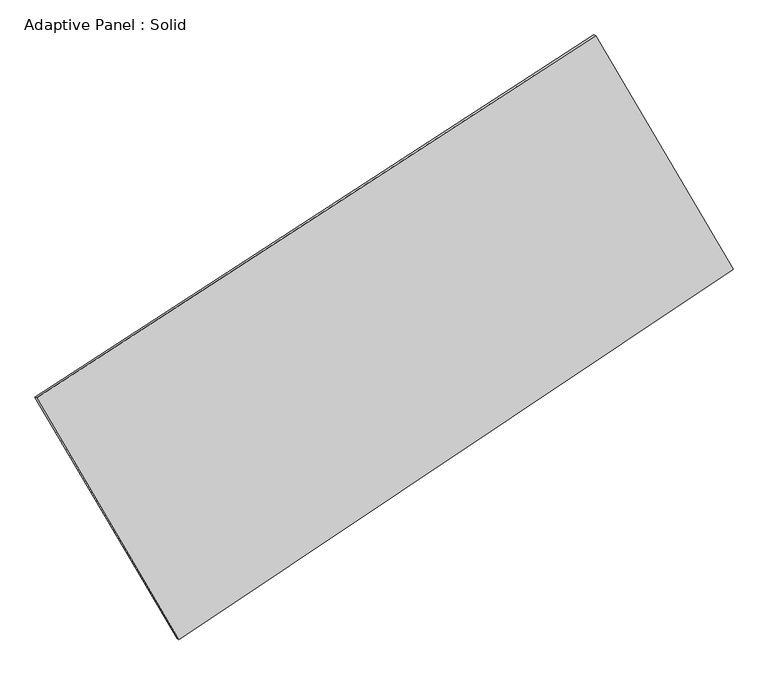
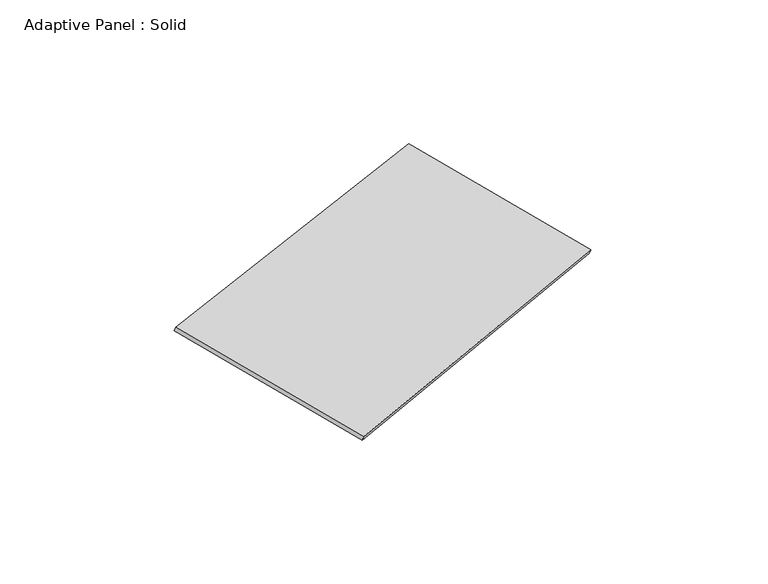
"""IFC4 building model written with IfcOpenShell, lengths in millimetres: plate geometry, Adaptive Panel : Solid."""

from ifc_helpers import new_model, si_unit, frame, origin, place, context, project, spatial, polyline, outline, extrude, source, transform, mapped, element, save


def adaptive_panel_solid_f8d9eab8(model_context):
    return source(origin(), model_context, "Body", "SweptSolid", [
        extrude(outline(polyline([(-1220.0507508, 2941.1890742), (1220.0507508, 2941.1890743), (1261.9847343, -2941.1890744), (-1261.9847343, -2941.1890744), (-1220.0507508, 2941.1890742)])), frame((-650.8226445, -100.0621432, 871.2806301), z_axis=(0.2933271166111751, -0.12760186928687048, 0.9474581603506671), x_axis=(0.4889880289678953, -0.8315769286024772, -0.2633828379795529)), (0.0, 0.0, 1.0), 50.0),
    ])


if __name__ == "__main__":
    model = new_model("IFC4")
    model_context = context("Model", 3, world=origin())
    ifc_project = project(units=[si_unit("LENGTHUNIT", "METRE", prefix="MILLI")], contexts=[model_context])
    site = spatial("IfcSite", under=ifc_project)
    building = spatial("IfcBuilding", under=site)
    placement = place(None, origin())
    adaptive_panel_solid_shape = adaptive_panel_solid_f8d9eab8(model_context)
    element("IfcPlate", 1, ObjectType="Adaptive Panel : Solid", at=placement, inside=building, context=model_context, shape_type="MappedRepresentation", body=[
        mapped(adaptive_panel_solid_shape, transform((0.0, 0.0, 0.0), x_axis=(1.0, 0.0, 0.0), y_axis=(0.0, 1.0, 0.0), z_axis=(0.0, 0.0, 1.0))),
    ])
    save(model, "model.ifc")
